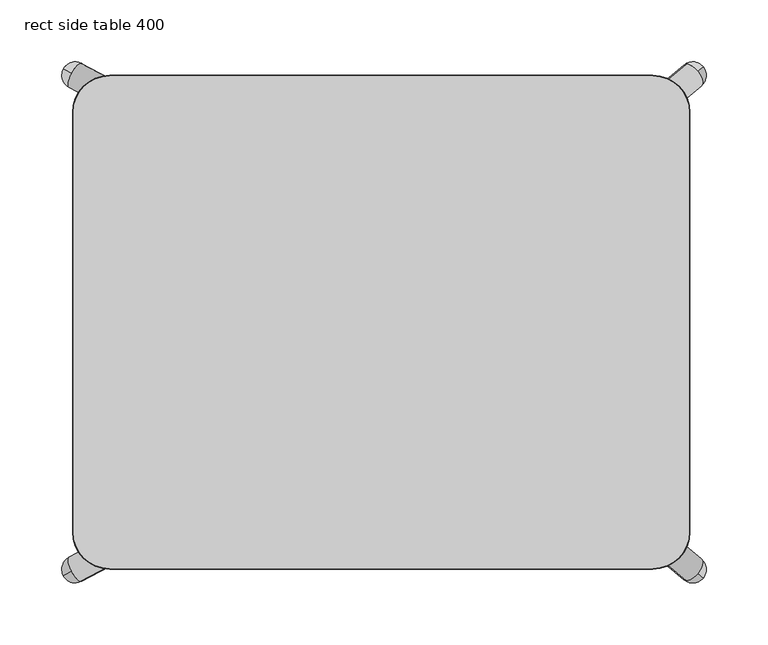
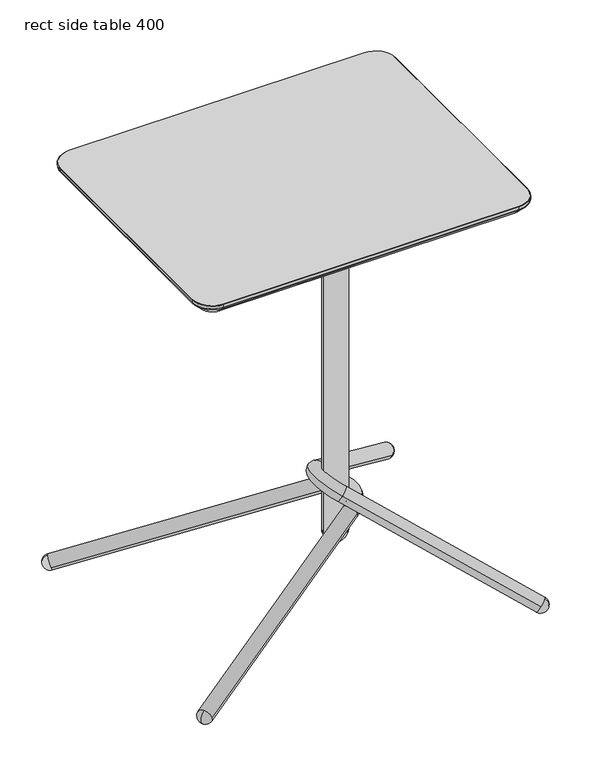
"""IFC4 building model written with IfcOpenShell, lengths in millimetres: furniture geometry, rect side table 400."""

from ifc_helpers import new_model, si_unit, point, frame, origin, place, context, project, spatial, polyline, circle_curve, ellipse_curve, trimmed, source, transform, mapped, element, save
from ifc_brep_helpers import plane_surface, cylinder_surface, revolved_surface, advanced_brep


def rect_side_table_400_12b81b7a(model_context):
    return source(origin(), model_context, "Body", "AdvancedBrep", [
        advanced_brep(
        [(120.000041, 49.9999974, 631.9999893), (-39.999964, 49.9999974, 631.9999893), (-49.999964, 39.9999974, 631.9999893), (-49.999964, -40.0000034, 631.9999893), (-39.999964, -50.0000034, 631.9999893), (120.000041, -50.0000034, 631.9999893), (130.000041, -40.0000034, 631.9999893), (130.000041, 39.9999974, 631.9999893), (-47.4693331, 40.0000112, 631.9999893), (-32.5306167, 40.0000112, 631.9999893), (-47.4693331, -40.0000112, 631.9999893), (-32.5306167, -40.0000112, 631.9999893), (127.46941, 40.0000112, 631.9999893), (112.5306936, 40.0000112, 631.9999893), (127.46941, -40.0000112, 631.9999893), (112.5306936, -40.0000112, 631.9999893), (47.4693967, 40.0000112, 631.9999893), (32.5306803, 40.0000112, 631.9999893), (47.4693967, -40.0000112, 631.9999893), (32.5306803, -40.0000112, 631.9999893), (120.000041, 49.9999974, 627.0000038), (130.000041, 39.9999974, 627.0000038), (130.000041, -40.0000034, 627.0000038), (120.000041, -50.0000034, 627.0000038), (-39.999964, -50.0000034, 627.0000038), (-49.999964, -40.0000034, 627.0000038), (-49.999964, 39.9999974, 627.0000038), (-39.999964, 49.9999974, 627.0000038), (-47.4693331, 40.0000112, 627.0000038), (-32.5306167, 40.0000112, 627.0000038), (-47.4693331, -40.0000112, 627.0000038), (-32.5306167, -40.0000112, 627.0000038), (127.46941, 40.0000112, 627.0000038), (112.5306936, 40.0000112, 627.0000038), (127.46941, -40.0000112, 627.0000038), (112.5306936, -40.0000112, 627.0000038), (47.4693967, 40.0000112, 627.0000038), (32.5306803, 40.0000112, 627.0000038), (47.4693967, -40.0000112, 627.0000038), (32.5306803, -40.0000112, 627.0000038), (78.7484697, 0.0, 627.0000038), (43.7484682, 0.0, 627.0000038), (78.7484697, 0.0, 76.9999996), (43.7484682, 0.0, 76.9999996), (61.2484689, 0.0, 59.4999989)],
        [
            (0, 1),
            (1, 2, circle_curve(frame((-39.999964, 39.9999974, 631.9999893), z_axis=(0.0, 0.0, 1.0), x_axis=(1.0, 0.0, 0.0)), 10.0)),
            (2, 3),
            (3, 4, circle_curve(frame((-39.999964, -40.0000034, 631.9999893), z_axis=(0.0, 0.0, 1.0), x_axis=(1.0, 0.0, 0.0)), 10.0)),
            (4, 5),
            (5, 6, circle_curve(frame((120.000041, -40.0000034, 631.9999893), z_axis=(0.0, 0.0, 1.0), x_axis=(1.0, 0.0, 0.0)), 10.0)),
            (6, 7),
            (7, 0, circle_curve(frame((120.000041, 39.9999974, 631.9999893), z_axis=(0.0, 0.0, 1.0), x_axis=(1.0, 0.0, 0.0)), 10.0)),
            (8, 9, circle_curve(frame((-39.9999749, 40.0000112, 631.9999893), z_axis=(0.0, 0.0, -1.0), x_axis=(1.0, 0.0, 0.0)), 7.4693582)),
            (9, 8, circle_curve(frame((-39.9999749, 40.0000112, 631.9999893), z_axis=(0.0, 0.0, -1.0), x_axis=(1.0, 0.0, 0.0)), 7.4693582)),
            (10, 11, circle_curve(frame((-39.9999749, -40.0000112, 631.9999893), z_axis=(0.0, 0.0, -1.0), x_axis=(1.0, 0.0, 0.0)), 7.4693582)),
            (11, 10, circle_curve(frame((-39.9999749, -40.0000112, 631.9999893), z_axis=(0.0, 0.0, -1.0), x_axis=(1.0, 0.0, 0.0)), 7.4693582)),
            (12, 13, circle_curve(frame((120.0000518, 40.0000112, 631.9999893), z_axis=(0.0, 0.0, -1.0), x_axis=(-1.0, 0.0, 0.0)), 7.4693582)),
            (13, 12, circle_curve(frame((120.0000518, 40.0000112, 631.9999893), z_axis=(0.0, 0.0, -1.0), x_axis=(-1.0, 0.0, 0.0)), 7.4693582)),
            (14, 15, circle_curve(frame((120.0000518, -40.0000112, 631.9999893), z_axis=(0.0, 0.0, -1.0), x_axis=(-1.0, 0.0, 0.0)), 7.4693582)),
            (15, 14, circle_curve(frame((120.0000518, -40.0000112, 631.9999893), z_axis=(0.0, 0.0, -1.0), x_axis=(-1.0, 0.0, 0.0)), 7.4693582)),
            (16, 17, circle_curve(frame((40.0000385, 40.0000112, 631.9999893), z_axis=(0.0, 0.0, -1.0), x_axis=(-1.0, 0.0, 0.0)), 7.4693582)),
            (17, 16, circle_curve(frame((40.0000385, 40.0000112, 631.9999893), z_axis=(0.0, 0.0, -1.0), x_axis=(-1.0, 0.0, 0.0)), 7.4693582)),
            (18, 19, circle_curve(frame((40.0000385, -40.0000112, 631.9999893), z_axis=(0.0, 0.0, -1.0), x_axis=(-1.0, 0.0, 0.0)), 7.4693582)),
            (19, 18, circle_curve(frame((40.0000385, -40.0000112, 631.9999893), z_axis=(0.0, 0.0, -1.0), x_axis=(-1.0, 0.0, 0.0)), 7.4693582)),
            (20, 21, circle_curve(frame((120.000041, 39.9999974, 627.0000038), z_axis=(0.0, 0.0, -1.0), x_axis=(1.0, 0.0, 0.0)), 10.0)),
            (21, 22),
            (22, 23, circle_curve(frame((120.000041, -40.0000034, 627.0000038), z_axis=(0.0, 0.0, -1.0), x_axis=(1.0, 0.0, 0.0)), 10.0)),
            (23, 24),
            (24, 25, circle_curve(frame((-39.999964, -40.0000034, 627.0000038), z_axis=(0.0, 0.0, -1.0), x_axis=(1.0, 0.0, 0.0)), 10.0)),
            (25, 26),
            (26, 27, circle_curve(frame((-39.999964, 39.9999974, 627.0000038), z_axis=(0.0, 0.0, -1.0), x_axis=(1.0, 0.0, 0.0)), 10.0)),
            (27, 20),
            (28, 29, circle_curve(frame((-39.9999749, 40.0000112, 627.0000038), z_axis=(0.0, 0.0, 1.0), x_axis=(1.0, 0.0, 0.0)), 7.4693582)),
            (29, 28, circle_curve(frame((-39.9999749, 40.0000112, 627.0000038), z_axis=(0.0, 0.0, 1.0), x_axis=(1.0, 0.0, 0.0)), 7.4693582)),
            (30, 31, circle_curve(frame((-39.9999749, -40.0000112, 627.0000038), z_axis=(0.0, 0.0, 1.0), x_axis=(1.0, 0.0, 0.0)), 7.4693582)),
            (31, 30, circle_curve(frame((-39.9999749, -40.0000112, 627.0000038), z_axis=(0.0, 0.0, 1.0), x_axis=(1.0, 0.0, 0.0)), 7.4693582)),
            (32, 33, circle_curve(frame((120.0000518, 40.0000112, 627.0000038), z_axis=(0.0, 0.0, 1.0), x_axis=(-1.0, 0.0, 0.0)), 7.4693582)),
            (33, 32, circle_curve(frame((120.0000518, 40.0000112, 627.0000038), z_axis=(0.0, 0.0, 1.0), x_axis=(-1.0, 0.0, 0.0)), 7.4693582)),
            (34, 35, circle_curve(frame((120.0000518, -40.0000112, 627.0000038), z_axis=(0.0, 0.0, 1.0), x_axis=(-1.0, 0.0, 0.0)), 7.4693582)),
            (35, 34, circle_curve(frame((120.0000518, -40.0000112, 627.0000038), z_axis=(0.0, 0.0, 1.0), x_axis=(-1.0, 0.0, 0.0)), 7.4693582)),
            (36, 37, circle_curve(frame((40.0000385, 40.0000112, 627.0000038), z_axis=(0.0, 0.0, 1.0), x_axis=(-1.0, 0.0, 0.0)), 7.4693582)),
            (37, 36, circle_curve(frame((40.0000385, 40.0000112, 627.0000038), z_axis=(0.0, 0.0, 1.0), x_axis=(-1.0, 0.0, 0.0)), 7.4693582)),
            (38, 39, circle_curve(frame((40.0000385, -40.0000112, 627.0000038), z_axis=(0.0, 0.0, 1.0), x_axis=(-1.0, 0.0, 0.0)), 7.4693582)),
            (39, 38, circle_curve(frame((40.0000385, -40.0000112, 627.0000038), z_axis=(0.0, 0.0, 1.0), x_axis=(-1.0, 0.0, 0.0)), 7.4693582)),
            (40, 41, circle_curve(frame((61.2484689, 0.0, 627.0000038), z_axis=(0.0, 0.0, 1.0), x_axis=(-1.0, 0.0, 0.0)), 17.5000007)),
            (41, 40, circle_curve(frame((61.2484689, 0.0, 627.0000038), z_axis=(0.0, 0.0, 1.0), x_axis=(-1.0, 0.0, 0.0)), 17.5000007)),
            (0, 20),
            (27, 1),
            (26, 2),
            (25, 3),
            (24, 4),
            (23, 5),
            (22, 6),
            (21, 7),
            (8, 28),
            (29, 9),
            (10, 30),
            (31, 11),
            (12, 32),
            (33, 13),
            (14, 34),
            (35, 15),
            (16, 36),
            (37, 17),
            (18, 38),
            (39, 19),
            (42, 43, circle_curve(frame((61.2484689, 0.0, 76.9999996), z_axis=(0.0, 0.0, 1.0), x_axis=(-1.0, 0.0, 0.0)), 17.5000007)),
            (43, 41),
            (40, 42),
            (43, 42, circle_curve(frame((61.2484689, 0.0, 76.9999996), z_axis=(0.0, 0.0, 1.0), x_axis=(-1.0, 0.0, 0.0)), 17.5000007)),
            (42, 44, circle_curve(frame((61.2484689, 0.0, 76.9999996), z_axis=(0.0, 1.0, 0.0), x_axis=(-1.0, 0.0, 0.0)), 17.5000007)),
            (44, 43, circle_curve(frame((61.2484689, 0.0, 76.9999996), z_axis=(0.0, 1.0, 0.0), x_axis=(1.0, 0.0, 0.0)), 17.5000007)),
        ],
        [
            plane_surface(frame((-39.9999628, 49.9999974, 631.9999893), z_axis=(0.0, 0.0, 1.0), x_axis=(-1.0, 0.0, 0.0))),
            plane_surface(frame((-39.9999628, 49.9999974, 627.0000038), z_axis=(0.0, 0.0, -1.0), x_axis=(1.0, 0.0, 0.0))),
            plane_surface(frame((120.000041, 49.9999974, 631.9999893), z_axis=(0.0, 1.0, 0.0), x_axis=(0.0, 0.0, -1.0))),
            cylinder_surface(frame((-39.999964, 39.9999974, 627.0000038), z_axis=(0.0, 0.0, 1.0), x_axis=(1.0, 0.0, 0.0)), 10.0),
            plane_surface(frame((-49.999964, 39.9999974, 631.9999893), z_axis=(-1.0, 0.0, 0.0), x_axis=(0.0, 0.0, -1.0))),
            cylinder_surface(frame((-39.999964, -40.0000034, 627.0000038), z_axis=(0.0, 0.0, 1.0), x_axis=(1.0, 0.0, 0.0)), 10.0),
            plane_surface(frame((-39.999964, -50.0000034, 631.9999893), z_axis=(0.0, -1.0, 0.0), x_axis=(0.0, 0.0, -1.0))),
            cylinder_surface(frame((120.000041, -40.0000034, 627.0000038), z_axis=(0.0, 0.0, 1.0), x_axis=(1.0, 0.0, 0.0)), 10.0),
            plane_surface(frame((130.000041, -40.0000034, 631.9999893), z_axis=(1.0, 0.0, 0.0), x_axis=(0.0, 0.0, -1.0))),
            cylinder_surface(frame((120.000041, 39.9999974, 627.0000038), z_axis=(0.0, 0.0, 1.0), x_axis=(1.0, 0.0, 0.0)), 10.0),
            revolved_surface(polyline([(-32.530616699999996, 40.0000112, 627.0000038), (-32.530616699999996, 40.0000112, 631.9999893)]), (-39.9999749, 40.0000112, 0.0), (0.0, 0.0, -1.0)),
            revolved_surface(polyline([(-32.530616699999996, -40.0000112, 627.0000038), (-32.530616699999996, -40.0000112, 631.9999893)]), (-39.9999749, -40.0000112, 0.0), (0.0, 0.0, -1.0)),
            revolved_surface(polyline([(112.53069359999999, 40.0000112, 627.0000038), (112.53069359999999, 40.0000112, 631.9999893)]), (120.0000518, 40.0000112, 0.0), (0.0, 0.0, -1.0)),
            revolved_surface(polyline([(112.53069359999999, -40.0000112, 627.0000038), (112.53069359999999, -40.0000112, 631.9999893)]), (120.0000518, -40.0000112, 0.0), (0.0, 0.0, -1.0)),
            revolved_surface(polyline([(32.5306803, 40.0000112, 627.0000038), (32.5306803, 40.0000112, 631.9999893)]), (40.0000385, 40.0000112, 0.0), (0.0, 0.0, -1.0)),
            revolved_surface(polyline([(32.5306803, -40.0000112, 627.0000038), (32.5306803, -40.0000112, 631.9999893)]), (40.0000385, -40.0000112, 0.0), (0.0, 0.0, -1.0)),
            cylinder_surface(frame((61.2484689, 0.0, 68.2499992), z_axis=(0.0, 0.0, -1.0), x_axis=(-1.0, 0.0, 0.0)), 17.5000007),
            revolved_surface(trimmed(ellipse_curve(frame((61.2484689, 0.0, 76.9999996), z_axis=(0.0, -1.0, 0.0), x_axis=(1.0, 0.0, 0.0)), 17.5000007, 17.5000007), [point((43.7484682, 0.0, 76.9999996))], [point((61.2484689, 0.0, 59.4999989))], True, "CARTESIAN"), (61.2484689, 0.0, 68.2499992), (0.0, 0.0, -1.0)),
        ],
        [
            (0, [[1, 2, 3, 4, 5, 6, 7, 8], [9, 10], [11, 12], [13, 14], [15, 16], [17, 18], [19, 20]]),
            (1, [[21, 22, 23, 24, 25, 26, 27, 28], [29, 30], [31, 32], [33, 34], [35, 36], [37, 38], [39, 40], [41, 42]]),
            (2, [[-1, 43, -28, 44]]),
            (3, [[-2, -44, -27, 45]]),
            (4, [[-3, -45, -26, 46]]),
            (5, [[-4, -46, -25, 47]]),
            (6, [[-5, -47, -24, 48]]),
            (7, [[-6, -48, -23, 49]]),
            (8, [[-7, -49, -22, 50]]),
            (9, [[-8, -50, -21, -43]]),
            (10, [[-9, 51, -30, 52]]),
            (10, [[-10, -52, -29, -51]]),
            (11, [[-11, 53, -32, 54]]),
            (11, [[-12, -54, -31, -53]]),
            (12, [[-13, 55, -34, 56]]),
            (12, [[-14, -56, -33, -55]]),
            (13, [[-15, 57, -36, 58]]),
            (13, [[-16, -58, -35, -57]]),
            (14, [[-17, 59, -38, 60]]),
            (14, [[-18, -60, -37, -59]]),
            (15, [[-19, 61, -40, 62]]),
            (15, [[-20, -62, -39, -61]]),
            (16, [[63, 64, -41, 65]]),
            (16, [[66, -65, -42, -64]]),
            (17, [[-63, 67, 68]]),
            (17, [[-66, -68, -67]]),
        ],
    ),
        advanced_brep(
        [(58.7468351, 25.9816516, 122.5540056), (67.9302472, 45.69187, 125.8964943), (-243.1827803, 209.8487928, 12.6606128), (-250.7555988, 201.5666496, 21.4602207), (-252.3661924, 190.1385743, 9.3181241), (-244.7933739, 198.4207175, 0.5185162), (58.7468351, -25.9816516, 122.5540056), (67.9302472, -45.69187, 125.8964943), (-252.3661924, -190.1385743, 9.3181241), (-250.7555988, -201.5666496, 21.4602207), (-243.1827803, -209.8487928, 12.6606128), (-244.7933739, -198.4207175, 0.5185162), (-257.0352597, 204.8800751, 7.6187226), (-257.0352597, -204.8800751, 7.6187226)],
        [
            (0, 1, circle_curve(frame((63.3385411, 35.8367608, 124.22525), z_axis=(-0.8418884918336852, 0.4442174127144383, -0.3064223515987259), x_axis=(0.41742782475236617, 0.8959190199126763, 0.15193130316434977)), 11.0)),
            (1, 2),
            (2, 3, circle_curve(frame((-247.7744863, 199.9936836, 10.9893685), z_axis=(0.8418884918336852, -0.4442174127144383, 0.3064223515987259), x_axis=(0.41742782475236617, 0.8959190199126763, 0.15193130316434977)), 11.0)),
            (3, 4, circle_curve(frame((-247.7744863, 199.9936836, 10.9893685), z_axis=(0.8418884918336852, -0.4442174127144383, 0.3064223515987259), x_axis=(0.41742782475236617, 0.8959190199126763, 0.15193130316434977)), 11.0)),
            (4, 0),
            (1, 0, circle_curve(frame((63.3385411, 35.8367608, 124.22525), z_axis=(-0.8418884918336852, 0.4442174127144383, -0.3064223515987259), x_axis=(0.41742782475236617, 0.8959190199126763, 0.15193130316434977)), 11.0)),
            (4, 5, circle_curve(frame((-247.7744863, 199.9936836, 10.9893685), z_axis=(0.8418884918336852, -0.4442174127144383, 0.3064223515987259), x_axis=(0.41742782475236617, 0.8959190199126763, 0.15193130316434977)), 11.0)),
            (5, 2, circle_curve(frame((-247.7744863, 199.9936836, 10.9893685), z_axis=(0.8418884918336852, -0.4442174127144383, 0.3064223515987259), x_axis=(0.41742782475236617, 0.8959190199126763, 0.15193130316434977)), 11.0)),
            (0, 6, circle_curve(frame((46.6414281, 0.0, 118.1479978), z_axis=(0.3420201433256684, 0.0, -0.9396926207859085), x_axis=(0.4174278247523651, 0.8959190199126768, 0.1519313031643494)), 29.0)),
            (6, 7, circle_curve(frame((63.3385411, -35.8367608, 124.22525), z_axis=(0.841888491833689, 0.4442174127144305, 0.30642235159872766), x_axis=(0.41742782475235873, -0.8959190199126802, 0.15193130316434714)), 11.0)),
            (7, 1, circle_curve(frame((46.6414281, 0.0, 118.1479978), z_axis=(-0.3420201433256684, 0.0, 0.9396926207859085), x_axis=(0.4174278247523651, 0.8959190199126768, 0.1519313031643494)), 51.0)),
            (7, 6, circle_curve(frame((63.3385411, -35.8367608, 124.22525), z_axis=(0.8418884918336871, 0.44421741271443393, 0.306422351598727), x_axis=(0.417427824752362, -0.8959190199126783, 0.1519313031643483)), 11.0)),
            (6, 8),
            (8, 9, circle_curve(frame((-247.7744863, -199.9936836, 10.9893685), z_axis=(0.8418884918336853, 0.44421741271443815, 0.3064223515987258), x_axis=(0.41742782475236606, -0.8959190199126764, 0.15193130316434972)), 11.0)),
            (9, 10, circle_curve(frame((-247.7744863, -199.9936836, 10.9893685), z_axis=(0.8418884918336853, 0.44421741271443815, 0.3064223515987258), x_axis=(0.41742782475236606, -0.8959190199126764, 0.15193130316434972)), 11.0)),
            (10, 7),
            (10, 11, circle_curve(frame((-247.7744863, -199.9936836, 10.9893685), z_axis=(0.8418884918336853, 0.44421741271443815, 0.3064223515987258), x_axis=(0.41742782475236606, -0.8959190199126764, 0.15193130316434972)), 11.0)),
            (11, 8, circle_curve(frame((-247.7744863, -199.9936836, 10.9893685), z_axis=(0.8418884918336853, 0.44421741271443815, 0.3064223515987258), x_axis=(0.41742782475236606, -0.8959190199126764, 0.15193130316434972)), 11.0)),
            (12, 5, circle_curve(frame((-247.7744863, 199.9936836, 10.9893685), z_axis=(-0.4666660776258254, -0.884433588232224, 0.0), x_axis=(0.8418884918336822, -0.4442174127145342, 0.30642235159859554)), 11.0)),
            (3, 12, circle_curve(frame((-247.7744863, 199.9936836, 10.9893685), z_axis=(-0.4666660776256739, -0.8844335882323039, 0.0), x_axis=(0.8418884918336897, -0.4442174127143359, 0.3064223515988621)), 11.0)),
            (11, 13, circle_curve(frame((-247.7744863, -199.9936836, 10.9893685), z_axis=(-0.4666660776258254, 0.884433588232224, 0.0), x_axis=(0.8418884918336822, 0.4442174127145342, 0.30642235159859554)), 11.0)),
            (13, 9, circle_curve(frame((-247.7744863, -199.9936836, 10.9893685), z_axis=(-0.4666660776256739, 0.8844335882323039, 0.0), x_axis=(0.8418884918336897, 0.4442174127143359, 0.3064223515988621)), 11.0)),
        ],
        [
            cylinder_surface(frame((-277.9675281, 215.9248609, 0.0), z_axis=(-0.8418884918336854, 0.44421741271443843, -0.30642235159872594), x_axis=(0.41742782475236617, 0.8959190199126763, 0.15193130316434977)), 11.0),
            revolved_surface(trimmed(ellipse_curve(frame((63.3385411, 35.8367608, 124.22525), z_axis=(-0.841888491833686, 0.444217412714437, -0.30642235159872566), x_axis=(0.41742782475236484, 0.8959190199126769, 0.15193130316434933)), 11.0, 11.0), [point((58.7468351, 25.9816516, 122.5540056))], [point((67.9302472, 45.69187, 125.8964943))], True, "CARTESIAN"), (46.6414281, 0.0, 118.1479978), (0.3420201433256684, 0.0, -0.9396926207859085)),
            revolved_surface(trimmed(ellipse_curve(frame((63.3385411, 35.8367608, 124.22525), z_axis=(-0.841888491833686, 0.444217412714437, -0.30642235159872566), x_axis=(0.41742782475236484, 0.8959190199126769, 0.15193130316434933)), 11.0, 11.0), [point((67.9302472, 45.69187, 125.8964943))], [point((58.7468351, 25.9816516, 122.5540056))], True, "CARTESIAN"), (46.6414281, 0.0, 118.1479978), (0.3420201433256684, 0.0, -0.9396926207859085)),
            cylinder_surface(frame((63.3385411, -35.8367608, 124.22525), z_axis=(0.8418884918336855, 0.44421741271443826, 0.30642235159872583), x_axis=(0.41742782475236606, -0.8959190199126764, 0.15193130316434972)), 11.0),
            revolved_surface(trimmed(ellipse_curve(frame((-247.7744863, 199.9936836, 10.9893685), z_axis=(0.4666660776256739, 0.8844335882323039, 0.0), x_axis=(0.8418884918336897, -0.4442174127143359, 0.3064223515988621)), 11.0, 11.0), [point((-257.0352597, 204.8800751, 7.6187226))], [point((-250.7555988, 201.5666496, 21.4602207))], True, "CARTESIAN"), (-251.664601, 202.0462792, 9.5734825), (0.841888491833686, -0.44421741271443504, 0.3064223515987288)),
            revolved_surface(trimmed(ellipse_curve(frame((-247.7744863, 199.9936836, 10.9893685), z_axis=(0.46666607762567125, 0.8844335882323053, 0.0), x_axis=(0.8418884918336913, -0.44421741271433307, 0.30642235159886216)), 11.0, 11.0), [point((-257.0352597, 204.8800751, 7.6187226))], [point((-250.7555988, 201.5666496, 21.4602207))], True, "CARTESIAN"), (-251.664601, 202.0462792, 9.5734825), (0.841888491833686, -0.44421741271443504, 0.3064223515987288)),
            revolved_surface(trimmed(ellipse_curve(frame((-247.7744863, -199.9936836, 10.9893685), z_axis=(0.4666660776256739, -0.8844335882323039, 0.0), x_axis=(0.8418884918336897, 0.4442174127143359, 0.3064223515988621)), 11.0, 11.0), [point((-250.7555988, -201.5666496, 21.4602207))], [point((-257.0352597, -204.8800751, 7.6187226))], True, "CARTESIAN"), (-251.664601, -202.0462792, 9.5734825), (-0.841888491833686, -0.44421741271443504, -0.3064223515987288)),
            revolved_surface(trimmed(ellipse_curve(frame((-247.7744863, -199.9936836, 10.9893685), z_axis=(0.46666607762567125, -0.8844335882323053, 0.0), x_axis=(0.8418884918336913, 0.44421741271433307, 0.30642235159886216)), 11.0, 11.0), [point((-250.7555988, -201.5666496, 21.4602207))], [point((-257.0352597, -204.8800751, 7.6187226))], True, "CARTESIAN"), (-251.664601, -202.0462792, 9.5734825), (-0.841888491833686, -0.44421741271443504, -0.3064223515987288)),
        ],
        [
            (0, [[1, 2, 3, 4, 5]]),
            (0, [[6, -5, 7, 8, -2]]),
            (1, [[-1, 9, 10, 11]]),
            (2, [[-6, -11, 12, -9]]),
            (3, [[-10, 13, 14, 15, 16]]),
            (3, [[-12, -16, 17, 18, -13]]),
            (4, [[19, -7, -4, 20]]),
            (5, [[-19, -20, -3, -8]]),
            (6, [[21, 22, -14, -18]]),
            (7, [[-21, -17, -15, -22]]),
        ],
    ),
        advanced_brep(
        [(57.5144405, 23.9910848, 150.6373501), (47.4708105, 42.1912168, 157.8401753), (247.2031924, 209.1000136, 14.6013824), (248.155534, 196.5992426, 1.3628234), (257.2468224, 190.8998816, 7.3985572), (256.2944809, 203.4006527, 20.6371162), (57.5144414, -23.9910822, 150.6373494), (47.4708121, -42.1912148, 157.8401741), (257.2468303, -190.8998679, 7.3985515), (248.1555419, -196.5992292, 1.3628176), (247.203201, -209.1000005, 14.6013763), (256.2944894, -203.4006392, 20.6371102), (259.6200001, -206.1796424, 5.6966243), (259.6199917, 206.1796563, 5.6966303)],
        [
            (0, 1, circle_curve(frame((52.4926255, 33.0911508, 154.2387627), z_axis=(0.6722712955826541, 0.5617916936357265, -0.4821217668779558), x_axis=(-0.45652863681473854, 0.8272787274926765, 0.3274011466170734)), 11.0)),
            (1, 2),
            (2, 3, circle_curve(frame((252.2250074, 199.9999476, 10.9999698), z_axis=(-0.6722712955826541, -0.5617916936357265, 0.4821217668779558), x_axis=(-0.45652863681473854, 0.8272787274926765, 0.3274011466170734)), 11.0)),
            (3, 4, circle_curve(frame((252.2250074, 199.9999476, 10.9999698), z_axis=(-0.6722712955826541, -0.5617916936357265, 0.4821217668779558), x_axis=(-0.45652863681473854, 0.8272787274926765, 0.3274011466170734)), 11.0)),
            (4, 0),
            (1, 0, circle_curve(frame((52.4926255, 33.0911508, 154.2387627), z_axis=(0.6722712955826541, 0.5617916936357265, -0.4821217668779558), x_axis=(-0.45652863681473854, 0.8272787274926765, 0.3274011466170734)), 11.0)),
            (4, 5, circle_curve(frame((252.2250074, 199.9999476, 10.9999698), z_axis=(-0.6722712955826541, -0.5617916936357265, 0.4821217668779558), x_axis=(-0.45652863681473854, 0.8272787274926765, 0.3274011466170734)), 11.0)),
            (5, 2, circle_curve(frame((252.2250074, 199.9999476, 10.9999698), z_axis=(-0.6722712955826541, -0.5617916936357265, 0.4821217668779558), x_axis=(-0.45652863681473854, 0.8272787274926765, 0.3274011466170734)), 11.0)),
            (0, 6, circle_curve(frame((70.753771, 1.7e-06, 141.1427168), z_axis=(0.5827803264556007, 0.0, 0.8126297380088324), x_axis=(-0.45652863681474215, 0.8272787274926735, 0.32740114661707603)), 29.0)),
            (6, 7, circle_curve(frame((52.4926268, -33.0911485, 154.2387618), z_axis=(-0.6722713171214564, 0.5617916546051102, 0.48212178232458525), x_axis=(-0.4565286050972992, -0.8272787539977398, 0.3274011238707981)), 11.0)),
            (7, 1, circle_curve(frame((70.753771, 1.7e-06, 141.1427168), z_axis=(-0.5827803264556007, 0.0, -0.8126297380088324), x_axis=(-0.45652863681474215, 0.8272787274926735, 0.32740114661707603)), 51.0)),
            (7, 6, circle_curve(frame((52.4926268, -33.0911485, 154.2387618), z_axis=(-0.6722713171214549, 0.5617916546051127, 0.48212178232458425), x_axis=(-0.4565286050973013, -0.8272787539977379, 0.32740112387079956)), 11.0)),
            (6, 8),
            (8, 9, circle_curve(frame((252.2250156, -199.9999342, 10.9999639), z_axis=(-0.6722713171214557, 0.5617916546051115, 0.4821217823245848), x_axis=(-0.4565286050973002, -0.8272787539977388, 0.32740112387079884)), 11.0)),
            (9, 10, circle_curve(frame((252.2250156, -199.9999342, 10.9999639), z_axis=(-0.6722713171214557, 0.5617916546051115, 0.4821217823245848), x_axis=(-0.4565286050973002, -0.8272787539977388, 0.32740112387079884)), 11.0)),
            (10, 7),
            (10, 11, circle_curve(frame((252.2250156, -199.9999342, 10.9999639), z_axis=(-0.6722713171214557, 0.5617916546051115, 0.4821217823245848), x_axis=(-0.4565286050973002, -0.8272787539977388, 0.32740112387079884)), 11.0)),
            (11, 8, circle_curve(frame((252.2250156, -199.9999342, 10.9999639), z_axis=(-0.6722713171214557, 0.5617916546051115, 0.4821217823245848), x_axis=(-0.4565286050973002, -0.8272787539977388, 0.32740112387079884)), 11.0)),
            (9, 12, circle_curve(frame((252.2250156, -199.9999342, 10.9999639), z_axis=(-0.6412383916308918, -0.7673417264157002, 0.0), x_axis=(0.6722713171215144, -0.5617916546050379, -0.48212178232458835)), 11.0)),
            (12, 11, circle_curve(frame((252.2250156, -199.9999342, 10.9999639), z_axis=(-0.6412383916310243, -0.7673417264155895, 0.0), x_axis=(0.6722713171213832, -0.5617916546051824, -0.4821217823246031)), 11.0)),
            (13, 3, circle_curve(frame((252.2250074, 199.9999476, 10.9999698), z_axis=(-0.6412384299595675, 0.7673416943858772, 0.0), x_axis=(0.3699521735068246, 0.30915503827734025, 0.8761041899370832)), 11.0)),
            (5, 13, circle_curve(frame((252.2250074, 199.9999476, 10.9999698), z_axis=(-0.6412384299596429, 0.7673416943858142, 0.0), x_axis=(-0.36995209348604097, -0.30915497140700227, -0.8761042473242733)), 11.0)),
        ],
        [
            cylinder_surface(frame((267.5633813, 212.8176466, 0.0), z_axis=(0.6722712955826541, 0.5617916936357265, -0.4821217668779558), x_axis=(-0.45652863681473854, 0.8272787274926765, 0.3274011466170734)), 11.0),
            revolved_surface(trimmed(ellipse_curve(frame((52.4926255, 33.0911508, 154.2387627), z_axis=(0.6722712955826515, 0.5617916936357309, -0.4821217668779542), x_axis=(-0.4565286368147422, 0.8272787274926735, 0.3274011466170759)), 11.0, 11.0), [point((57.5144405, 23.9910848, 150.6373501))], [point((47.4708105, 42.1912168, 157.8401753))], True, "CARTESIAN"), (70.753771, 1.7e-06, 141.1427168), (0.5827803264556007, 0.0, 0.8126297380088324)),
            revolved_surface(trimmed(ellipse_curve(frame((52.4926255, 33.0911508, 154.2387627), z_axis=(0.6722712955826515, 0.5617916936357309, -0.4821217668779542), x_axis=(-0.4565286368147422, 0.8272787274926735, 0.3274011466170759)), 11.0, 11.0), [point((47.4708105, 42.1912168, 157.8401753))], [point((57.5144405, 23.9910848, 150.6373501))], True, "CARTESIAN"), (70.753771, 1.7e-06, 141.1427168), (0.5827803264556007, 0.0, 0.8126297380088324)),
            cylinder_surface(frame((52.4926268, -33.0911485, 154.2387618), z_axis=(-0.6722713171214557, 0.5617916546051115, 0.4821217823245848), x_axis=(-0.4565286050973002, -0.8272787539977388, 0.32740112387079884)), 11.0),
            revolved_surface(trimmed(ellipse_curve(frame((252.2250156, -199.9999342, 10.9999639), z_axis=(0.6412383916310243, 0.7673417264155895, 0.0), x_axis=(0.6722713171213832, -0.5617916546051824, -0.4821217823246031)), 11.0, 11.0), [point((256.2944894, -203.4006392, 20.6371102))], [point((259.6200001, -206.1796424, 5.6966243))], True, "CARTESIAN"), (265.0520868, -210.7190313, 1.8009838), (0.6722713171214488, -0.5617916546051102, -0.48212178232459574)),
            revolved_surface(trimmed(ellipse_curve(frame((252.2250156, -199.9999342, 10.9999639), z_axis=(0.6412383916310265, 0.7673417264155876, 0.0), x_axis=(0.672271317121381, -0.561791654605185, -0.4821217823246031)), 11.0, 11.0), [point((256.2944894, -203.4006392, 20.6371102))], [point((259.6200001, -206.1796424, 5.6966243))], True, "CARTESIAN"), (265.0520868, -210.7190313, 1.8009838), (0.6722713171214488, -0.5617916546051102, -0.48212178232459574)),
            revolved_surface(trimmed(ellipse_curve(frame((252.2250074, 199.9999476, 10.9999698), z_axis=(0.6412384299596429, -0.7673416943858142, 0.0), x_axis=(-0.36995209348604097, -0.30915497140700227, -0.8761042473242733)), 11.0, 11.0), [point((259.6199917, 206.1796563, 5.6966303))], [point((256.2944809, 203.4006527, 20.6371162))], True, "CARTESIAN"), (267.5633813, 212.8176466, 0.0), (-0.6722712955826509, -0.5617916936357265, 0.48212176687796016)),
            revolved_surface(trimmed(ellipse_curve(frame((252.2250074, 199.9999476, 10.9999698), z_axis=(0.6412384299596443, -0.767341694385813, 0.0), x_axis=(-0.36995209348604097, -0.30915497140700227, -0.8761042473242733)), 11.0, 11.0), [point((259.6199917, 206.1796563, 5.6966303))], [point((256.2944809, 203.4006527, 20.6371162))], True, "CARTESIAN"), (267.5633813, 212.8176466, 0.0), (-0.6722712955826509, -0.5617916936357265, 0.48212176687796016)),
        ],
        [
            (0, [[1, 2, 3, 4, 5]]),
            (0, [[6, -5, 7, 8, -2]]),
            (1, [[-1, 9, 10, 11]]),
            (2, [[-6, -11, 12, -9]]),
            (3, [[-10, 13, 14, 15, 16]]),
            (3, [[-12, -16, 17, 18, -13]]),
            (4, [[19, 20, -17, -15]]),
            (5, [[-19, -14, -18, -20]]),
            (6, [[21, -3, -8, 22]]),
            (7, [[-21, -22, -7, -4]]),
        ],
    ),
        advanced_brep(
        [(-220.0, 199.4417767, 650.0), (-249.4417767, 170.0, 650.0), (-249.4417767, -170.0, 650.0), (-220.0, -199.4417767, 650.0), (220.0, -199.4417767, 650.0), (249.4417767, -170.0, 650.0), (249.4417767, 170.0, 650.0), (220.0, 199.4417767, 650.0), (-237.9999573, 170.0, 631.9999893), (-220.0, 187.9999573, 631.9999893), (220.0, 187.9999573, 631.9999893), (237.9999573, 170.0, 631.9999893), (237.9999573, -170.0, 631.9999893), (220.0, -187.9999573, 631.9999893), (-220.0, -187.9999573, 631.9999893), (-237.9999573, -170.0, 631.9999893), (-250.0, 170.0, 649.4417767), (-220.0, 200.0, 649.4417767), (-249.3493468, 170.0, 643.3493788), (-220.0, 199.3493468, 643.3493788), (-250.0, -170.0, 649.4417767), (-249.3493468, -170.0, 643.3493788), (-220.0, -200.0, 649.4417767), (-220.0, -199.3493468, 643.3493788), (220.0, -200.0, 649.4417767), (220.0, -199.3493468, 643.3493788), (250.0, -170.0, 649.4417767), (249.3493468, -170.0, 643.3493788), (250.0, 170.0, 649.4417767), (249.3493468, 170.0, 643.3493788), (220.0, 200.0, 649.4417767), (220.0, 199.3493468, 643.3493788), (-250.0, 170.0, 644.9201946), (-220.0, 200.0, 644.9201946), (-250.0, -170.0, 644.9201946), (-220.0, -200.0, 644.9201946), (220.0, -200.0, 644.9201946), (250.0, -170.0, 644.9201946), (250.0, 170.0, 644.9201946), (220.0, 200.0, 644.9201946)],
        [
            (0, 1, circle_curve(frame((-220.0, 170.0, 650.0), z_axis=(0.0, 0.0, 1.0), x_axis=(0.0, 1.0, 0.0)), 29.4417767)),
            (1, 2),
            (2, 3, circle_curve(frame((-220.0, -170.0, 650.0), z_axis=(0.0, 0.0, 1.0), x_axis=(-1.0, 0.0, 0.0)), 29.4417767)),
            (3, 4),
            (4, 5, circle_curve(frame((220.0, -170.0, 650.0), z_axis=(0.0, 0.0, 1.0), x_axis=(0.0, -1.0, 0.0)), 29.4417767)),
            (5, 6),
            (6, 7, circle_curve(frame((220.0, 170.0, 650.0), z_axis=(0.0, 0.0, 1.0), x_axis=(1.0, 0.0, 0.0)), 29.4417767)),
            (7, 0),
            (8, 9, circle_curve(frame((-220.0, 170.0, 631.9999893), z_axis=(0.0, 0.0, -1.0), x_axis=(0.0, 1.0, 0.0)), 17.9999573)),
            (9, 10),
            (10, 11, circle_curve(frame((220.0, 170.0, 631.9999893), z_axis=(0.0, 0.0, -1.0), x_axis=(1.0, 0.0, 0.0)), 17.9999573)),
            (11, 12),
            (12, 13, circle_curve(frame((220.0, -170.0, 631.9999893), z_axis=(0.0, 0.0, -1.0), x_axis=(0.0, -1.0, 0.0)), 17.9999573)),
            (13, 14),
            (14, 15, circle_curve(frame((-220.0, -170.0, 631.9999893), z_axis=(0.0, 0.0, -1.0), x_axis=(-1.0, 0.0, 0.0)), 17.9999573)),
            (15, 8),
            (16, 1),
            (0, 17),
            (17, 16, circle_curve(frame((-220.0, 170.0, 649.4417767), z_axis=(0.0, 0.0, 1.0), x_axis=(0.0, 1.0, 0.0)), 30.0)),
            (8, 18),
            (18, 19, circle_curve(frame((-220.0, 170.0, 643.3493788), z_axis=(0.0, 0.0, -1.0), x_axis=(0.0, 1.0, 0.0)), 29.3493468)),
            (19, 9),
            (16, 20),
            (20, 2),
            (15, 21),
            (21, 18),
            (20, 22, circle_curve(frame((-220.0, -170.0, 649.4417767), z_axis=(0.0, 0.0, 1.0), x_axis=(-1.0, 0.0, 0.0)), 30.0)),
            (22, 3),
            (14, 23),
            (23, 21, circle_curve(frame((-220.0, -170.0, 643.3493788), z_axis=(0.0, 0.0, -1.0), x_axis=(-1.0, 0.0, 0.0)), 29.3493468)),
            (22, 24),
            (24, 4),
            (13, 25),
            (25, 23),
            (24, 26, circle_curve(frame((220.0, -170.0, 649.4417767), z_axis=(0.0, 0.0, 1.0), x_axis=(0.0, -1.0, 0.0)), 30.0)),
            (26, 5),
            (12, 27),
            (27, 25, circle_curve(frame((220.0, -170.0, 643.3493788), z_axis=(0.0, 0.0, -1.0), x_axis=(0.0, -1.0, 0.0)), 29.3493468)),
            (26, 28),
            (28, 6),
            (11, 29),
            (29, 27),
            (28, 30, circle_curve(frame((220.0, 170.0, 649.4417767), z_axis=(0.0, 0.0, 1.0), x_axis=(1.0, 0.0, 0.0)), 30.0)),
            (30, 7),
            (10, 31),
            (31, 29, circle_curve(frame((220.0, 170.0, 643.3493788), z_axis=(0.0, 0.0, -1.0), x_axis=(1.0, 0.0, 0.0)), 29.3493468)),
            (30, 17),
            (19, 31),
            (18, 32, circle_curve(frame((-247.778531, 170.0, 644.9201946), z_axis=(0.0, 1.0, 0.0), x_axis=(1.0, 0.0, 0.0)), 2.221469)),
            (32, 33, circle_curve(frame((-220.0, 170.0, 644.9201946), z_axis=(0.0, 0.0, -1.0), x_axis=(0.0, 1.0, 0.0)), 30.0)),
            (33, 19, circle_curve(frame((-220.0, 197.778531, 644.9201946), z_axis=(-1.0, 0.0, 0.0), x_axis=(0.0, -1.0, 0.0)), 2.221469)),
            (21, 34, circle_curve(frame((-247.778531, -170.0, 644.9201946), z_axis=(0.0, 1.0, 0.0), x_axis=(1.0, 0.0, 0.0)), 2.221469)),
            (34, 32),
            (23, 35, circle_curve(frame((-220.0, -197.778531, 644.9201946), z_axis=(-1.0, 0.0, 0.0), x_axis=(0.0, 1.0, 0.0)), 2.221469)),
            (35, 34, circle_curve(frame((-220.0, -170.0, 644.9201946), z_axis=(0.0, 0.0, -1.0), x_axis=(-1.0, 0.0, 0.0)), 30.0)),
            (25, 36, circle_curve(frame((220.0, -197.778531, 644.9201946), z_axis=(-1.0, 0.0, 0.0), x_axis=(0.0, 1.0, 0.0)), 2.221469)),
            (36, 35),
            (27, 37, circle_curve(frame((247.778531, -170.0, 644.9201946), z_axis=(0.0, -1.0, 0.0), x_axis=(-1.0, 0.0, 0.0)), 2.221469)),
            (37, 36, circle_curve(frame((220.0, -170.0, 644.9201946), z_axis=(0.0, 0.0, -1.0), x_axis=(0.0, -1.0, 0.0)), 30.0)),
            (29, 38, circle_curve(frame((247.778531, 170.0, 644.9201946), z_axis=(0.0, -1.0, 0.0), x_axis=(-1.0, 0.0, 0.0)), 2.221469)),
            (38, 37),
            (31, 39, circle_curve(frame((220.0, 197.778531, 644.9201946), z_axis=(1.0, 0.0, 0.0), x_axis=(0.0, -1.0, 0.0)), 2.221469)),
            (39, 38, circle_curve(frame((220.0, 170.0, 644.9201946), z_axis=(0.0, 0.0, -1.0), x_axis=(1.0, 0.0, 0.0)), 30.0)),
            (33, 39),
            (22, 35),
            (36, 24),
            (37, 26),
            (38, 28),
            (39, 30),
            (33, 17),
            (32, 16),
            (34, 20),
        ],
        [
            plane_surface(frame((2000.0, -200.0, 650.0), z_axis=(0.0, 0.0, 1.0), x_axis=(1.0, 0.0, 0.0))),
            plane_surface(frame((2000.0, -200.0, 631.9999893), z_axis=(0.0, 0.0, -1.0), x_axis=(-1.0, 0.0, 0.0))),
            revolved_surface(polyline([(-220.0, 200.0, 649.4417767), (-220.0, 199.4417767, 650.0)]), (-220.0, 170.0, 0.0), (0.0, 0.0, 1.0)),
            revolved_surface(polyline([(-220.0, 187.9999573, 631.9999893), (-220.0, 199.3493468, 643.3493788)]), (-220.0, 170.0, 0.0), (0.0, 0.0, 1.0)),
            plane_surface(frame((-249.4417767, 170.0, 650.0), z_axis=(-0.7071067811865476, 0.0, 0.7071067811865476), x_axis=(0.0, -1.0, 0.0))),
            plane_surface(frame((-249.3493468, 170.0, 643.3493788), z_axis=(-0.7071067811865486, 0.0, -0.7071067811865466), x_axis=(0.0, -1.0, 0.0))),
            revolved_surface(polyline([(-250.0, -170.0, 649.4417767), (-249.4417767, -170.0, 650.0)]), (-220.0, -170.0, 0.0), (0.0, 0.0, 1.0)),
            revolved_surface(polyline([(-237.9999573, -170.0, 631.9999893), (-249.3493468, -170.0, 643.3493788)]), (-220.0, -170.0, 0.0), (0.0, 0.0, 1.0)),
            plane_surface(frame((-220.0, -199.4417767, 650.0), z_axis=(0.0, -0.7071067811865476, 0.7071067811865476), x_axis=(1.0, 0.0, 0.0))),
            plane_surface(frame((-220.0, -199.3493468, 643.3493788), z_axis=(0.0, -0.7071067811865486, -0.7071067811865466), x_axis=(1.0, 0.0, 0.0))),
            revolved_surface(polyline([(220.0, -200.0, 649.4417767), (220.0, -199.4417767, 650.0)]), (220.0, -170.0, 0.0), (0.0, 0.0, 1.0)),
            revolved_surface(polyline([(220.0, -187.9999573, 631.9999893), (220.0, -199.3493468, 643.3493788)]), (220.0, -170.0, 0.0), (0.0, 0.0, 1.0)),
            plane_surface(frame((249.4417767, -170.0, 650.0), z_axis=(0.7071067811865476, 0.0, 0.7071067811865476), x_axis=(0.0, 1.0, 0.0))),
            plane_surface(frame((249.3493468, -170.0, 643.3493788), z_axis=(0.7071067811865486, 0.0, -0.7071067811865466), x_axis=(0.0, 1.0, 0.0))),
            revolved_surface(polyline([(250.0, 170.0, 649.4417767), (249.4417767, 170.0, 650.0)]), (220.0, 170.0, 0.0), (0.0, 0.0, 1.0)),
            revolved_surface(polyline([(237.9999573, 170.0, 631.9999893), (249.3493468, 170.0, 643.3493788)]), (220.0, 170.0, 0.0), (0.0, 0.0, 1.0)),
            plane_surface(frame((220.0, 199.4417767, 650.0), z_axis=(0.0, 0.7071067811865476, 0.7071067811865476), x_axis=(-1.0, 0.0, 0.0))),
            plane_surface(frame((220.0, 199.3493468, 643.3493788), z_axis=(0.0, 0.7071067811865486, -0.7071067811865466), x_axis=(-1.0, 0.0, 0.0))),
            revolved_surface(trimmed(ellipse_curve(frame((-220.0, 197.778531, 644.9201946), z_axis=(1.0, 0.0, 0.0), x_axis=(0.0, -1.0, 0.0)), 2.221469, 2.221469), [point((-220.0, 199.3493468, 643.3493788))], [point((-220.0, 200.0, 644.9201946))], True, "CARTESIAN"), (-220.0, 170.0, 0.0), (0.0, 0.0, 1.0)),
            cylinder_surface(frame((-247.778531, 170.0, 644.9201946), z_axis=(0.0, -1.0, 0.0), x_axis=(1.0, 0.0, 0.0)), 2.221469),
            revolved_surface(trimmed(ellipse_curve(frame((-247.778531, -170.0, 644.9201946), z_axis=(0.0, 1.0, 0.0), x_axis=(1.0, 0.0, 0.0)), 2.221469, 2.221469), [point((-249.3493468, -170.0, 643.3493788))], [point((-250.0, -170.0, 644.9201946))], True, "CARTESIAN"), (-220.0, -170.0, 0.0), (0.0, 0.0, 1.0)),
            cylinder_surface(frame((-220.0, -197.778531, 644.9201946), z_axis=(1.0, 0.0, 0.0), x_axis=(0.0, 1.0, 0.0)), 2.221469),
            revolved_surface(trimmed(ellipse_curve(frame((220.0, -197.778531, 644.9201946), z_axis=(-1.0, 0.0, 0.0), x_axis=(0.0, 1.0, 0.0)), 2.221469, 2.221469), [point((220.0, -199.3493468, 643.3493788))], [point((220.0, -200.0, 644.9201946))], True, "CARTESIAN"), (220.0, -170.0, 0.0), (0.0, 0.0, 1.0)),
            cylinder_surface(frame((247.778531, -170.0, 644.9201946), z_axis=(0.0, 1.0, 0.0), x_axis=(-1.0, 0.0, 0.0)), 2.221469),
            revolved_surface(trimmed(ellipse_curve(frame((247.778531, 170.0, 644.9201946), z_axis=(0.0, -1.0, 0.0), x_axis=(-1.0, 0.0, 0.0)), 2.221469, 2.221469), [point((249.3493468, 170.0, 643.3493788))], [point((250.0, 170.0, 644.9201946))], True, "CARTESIAN"), (220.0, 170.0, 0.0), (0.0, 0.0, 1.0)),
            cylinder_surface(frame((220.0, 197.778531, 644.9201946), z_axis=(-1.0, 0.0, 0.0), x_axis=(0.0, -1.0, 0.0)), 2.221469),
            plane_surface(frame((-220.0, -200.0, 650.0), z_axis=(0.0, -1.0, 0.0), x_axis=(0.0, 0.0, -1.0))),
            cylinder_surface(frame((220.0, -170.0, 631.9999893), z_axis=(0.0, 0.0, 1.0), x_axis=(1.0, 0.0, 0.0)), 30.0),
            plane_surface(frame((250.0, -170.0, 650.0), z_axis=(1.0, 0.0, 0.0), x_axis=(0.0, 0.0, -1.0))),
            cylinder_surface(frame((220.0, 170.0, 631.9999893), z_axis=(0.0, 0.0, 1.0), x_axis=(1.0, 0.0, 0.0)), 30.0),
            plane_surface(frame((220.0, 200.0, 650.0), z_axis=(0.0, 1.0, 0.0), x_axis=(0.0, 0.0, -1.0))),
            cylinder_surface(frame((-220.0, 170.0, 631.9999893), z_axis=(0.0, 0.0, 1.0), x_axis=(1.0, 0.0, 0.0)), 30.0),
            plane_surface(frame((-250.0, 170.0, 650.0), z_axis=(-1.0, 0.0, 0.0), x_axis=(0.0, 0.0, -1.0))),
            cylinder_surface(frame((-220.0, -170.0, 631.9999893), z_axis=(0.0, 0.0, 1.0), x_axis=(1.0, 0.0, 0.0)), 30.0),
        ],
        [
            (0, [[1, 2, 3, 4, 5, 6, 7, 8]]),
            (1, [[9, 10, 11, 12, 13, 14, 15, 16]]),
            (2, [[17, -1, 18, 19]]),
            (3, [[20, 21, 22, -9]]),
            (4, [[-17, 23, 24, -2]]),
            (5, [[-20, -16, 25, 26]]),
            (6, [[-24, 27, 28, -3]]),
            (7, [[-25, -15, 29, 30]]),
            (8, [[-28, 31, 32, -4]]),
            (9, [[-29, -14, 33, 34]]),
            (10, [[-32, 35, 36, -5]]),
            (11, [[-33, -13, 37, 38]]),
            (12, [[-36, 39, 40, -6]]),
            (13, [[-37, -12, 41, 42]]),
            (14, [[-40, 43, 44, -7]]),
            (15, [[-41, -11, 45, 46]]),
            (16, [[-18, -8, -44, 47]]),
            (17, [[-22, 48, -45, -10]]),
            (18, [[-21, 49, 50, 51]]),
            (19, [[-26, 52, 53, -49]]),
            (20, [[-30, 54, 55, -52]]),
            (21, [[-34, 56, 57, -54]]),
            (22, [[-38, 58, 59, -56]]),
            (23, [[-42, 60, 61, -58]]),
            (24, [[-46, 62, 63, -60]]),
            (25, [[-48, -51, 64, -62]]),
            (26, [[65, -57, 66, -31]]),
            (27, [[-66, -59, 67, -35]]),
            (28, [[-67, -61, 68, -39]]),
            (29, [[-68, -63, 69, -43]]),
            (30, [[-69, -64, 70, -47]]),
            (31, [[-70, -50, 71, -19]]),
            (32, [[-71, -53, 72, -23]]),
            (33, [[-65, -27, -72, -55]]),
        ],
    ),
    ])


if __name__ == "__main__":
    model = new_model("IFC4")
    model_context = context("Model", 3, world=origin())
    ifc_project = project(units=[si_unit("LENGTHUNIT", "METRE", prefix="MILLI")], contexts=[model_context])
    site = spatial("IfcSite", under=ifc_project)
    building = spatial("IfcBuilding", under=site)
    placement = place(None, origin())
    rect_side_table_400_shape = rect_side_table_400_12b81b7a(model_context)
    element("IfcFurniture", 1, ObjectType="rect side table 400", at=placement, inside=building, context=model_context, shape_type="MappedRepresentation", body=[
        mapped(rect_side_table_400_shape, transform((0.0, 0.0, 0.0), x_axis=(1.0, 0.0, 0.0), y_axis=(0.0, 1.0, 0.0), z_axis=(0.0, 0.0, 1.0))),
    ])
    save(model, "model.ifc")
